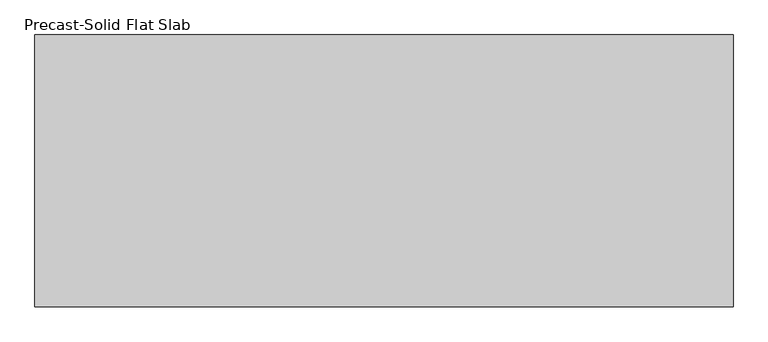
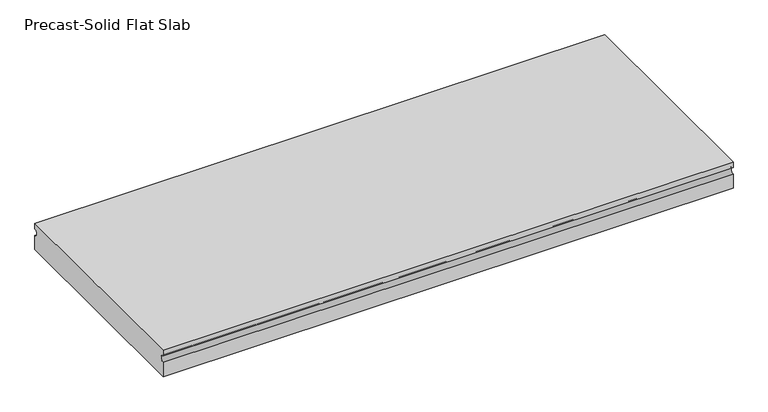
"""IFC4 building model written with IfcOpenShell, lengths in millimetres: beam geometry, Precast-Solid Flat Slab."""

from ifc_helpers import new_model, si_unit, point, frame, frame_2d, origin, place, context, project, spatial, polyline, circle_curve, trimmed, segment, composite_curve, outline, extrude, source, transform, mapped, element, save


def precast_solid_flat_slab_95ba3cf2(model_context):
    return source(origin(), model_context, "Body", "SweptSolid", [
        extrude(outline(composite_curve([segment(polyline([(-304.8, 38.1), (304.8, 38.1), (304.8, 22.225)]), True, "CONTINUOUS"), segment(trimmed(circle_curve(frame_2d((304.8, 12.7)), 9.525), [point((304.8, 22.225))], [point((304.8, 3.175))], True, "CARTESIAN"), True, "CONTINUOUS"), segment(polyline([(304.8, 3.175), (304.8, -38.1), (-304.8, -38.1), (-304.8, 3.175)]), True, "CONTINUOUS"), segment(trimmed(circle_curve(frame_2d((-304.8, 12.7)), 9.525), [point((-304.8, 3.175))], [point((-304.8, 22.225))], True, "CARTESIAN"), True, "CONTINUOUS"), segment(polyline([(-304.8, 22.225), (-304.8, 38.1)]), True, "CONTINUOUS")], self_intersect=False)), frame((-741.9082031, 0.0, 0.0), z_axis=(1.0, 0.0, 0.0), x_axis=(0.0, 1.0, 0.0)), (0.0, 0.0, 1.0), 1566.2175775),
    ])


if __name__ == "__main__":
    model = new_model("IFC4")
    model_context = context("Model", 3, world=origin())
    ifc_project = project(units=[si_unit("LENGTHUNIT", "METRE", prefix="MILLI")], contexts=[model_context])
    site = spatial("IfcSite", under=ifc_project)
    building = spatial("IfcBuilding", under=site)
    placement = place(None, origin())
    precast_solid_flat_slab_shape = precast_solid_flat_slab_95ba3cf2(model_context)
    element("IfcBeam", 1, ObjectType="Precast-Solid Flat Slab", at=placement, inside=building, context=model_context, shape_type="MappedRepresentation", body=[
        mapped(precast_solid_flat_slab_shape, transform((0.0, 0.0, 0.0), x_axis=(1.0, 0.0, 0.0), y_axis=(0.0, 1.0, 0.0), z_axis=(0.0, 0.0, 1.0))),
    ])
    save(model, "model.ifc")
